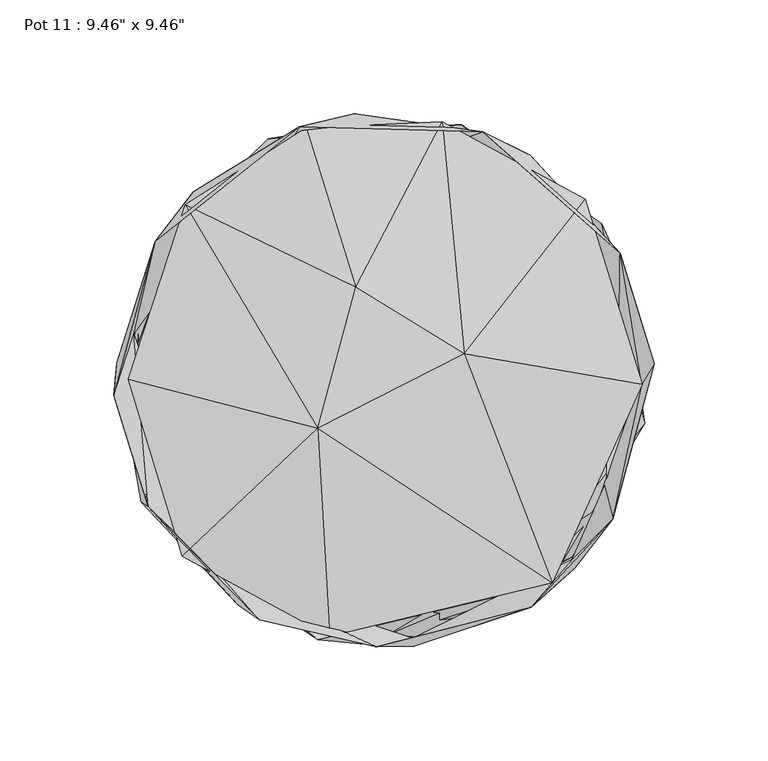
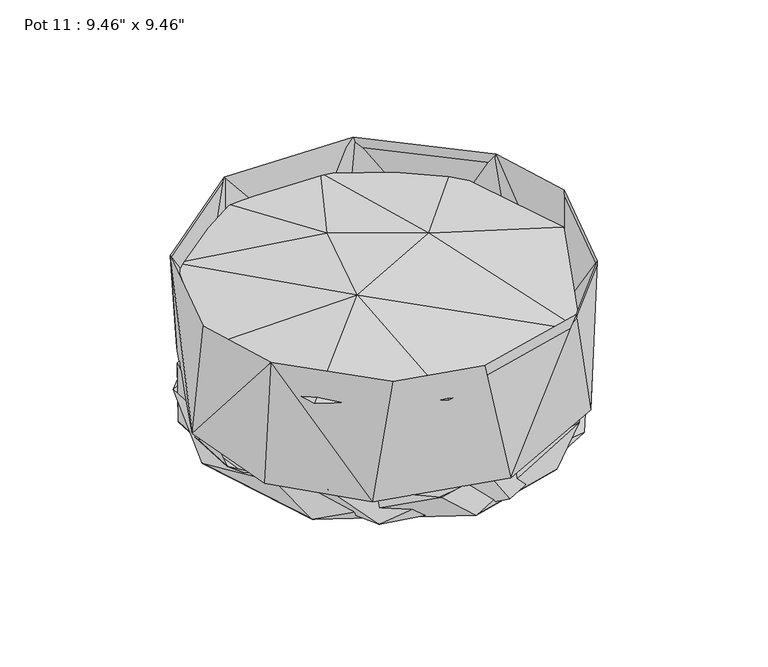
"""IFC4 building model written with IfcOpenShell, lengths in millimetres: furniture geometry."""

from ifc_helpers import new_model, si_unit, origin, place, context, project, spatial, triangles, source, transform, mapped, element, save


def furniture_94744fbc(model_context):
    return source(origin(), model_context, "Body", "Tessellation", [
        triangles([(73.9032606, -89.1236025, 81.5537611), (35.3487735, 11.6443633, 99.6734128), (-29.2760133, -21.253824, 100.5994645), (-112.4589423, 0.2855062, 81.9641921), (-87.5443203, 77.1791372, 82.7148912), (-12.3521689, 40.8452767, 98.5445754), (113.4762131, -1.7988682, 84.3893257), (88.4485256, 79.5826878, 81.1407686), (25.4979145, 113.6211715, 81.7323295), (-34.1663352, 110.8660708, 83.0436956), (-88.8480561, -77.5126197, 82.6187034), (-23.9071844, -112.7668632, 83.3351204)], [[1, 2, 3], [4, 3, 5], [3, 2, 6], [3, 6, 5], [7, 8, 2], [2, 9, 6], [2, 8, 9], [6, 10, 5], [6, 9, 10], [11, 12, 3], [11, 3, 4], [12, 1, 3], [1, 7, 2]], closed=False),
        triangles([(-59.6704494, -97.958919, 3.0986282), (1.93578, -112.0789056, 23.5408778), (14.6768692, -113.097548, 3.3756961), (-81.8519624, -79.8517484, 23.5408687), (114.534615, -3.1498671, 3.1497913), (22.6963754, 112.3967186, 3.1139919), (-106.080053, 42.7588226, 3.2345969), (-111.4680144, -20.5924522, 13.3791309), (-29.1845808, -114.16745, 20.6958502), (-8.3169342, -116.1804176, 2.3156548), (72.3873376, -89.9382784, 20.6958661), (-88.5669595, -74.5158186, 2.5861589), (-101.1418097, -55.6689494, 20.6958502), (-113.2138926, 4.1067601, 1.2082331), (53.0337678, -98.7274676, 1.1512602), (82.4068795, -78.2744918, 3.5544879), (98.0315799, -54.3636103, 23.5408959), (104.3005013, 49.6819012, 2.1015755), (114.6101373, -19.0798038, 14.6661799), (-16.1654945, 111.6204306, 1.0775673), (-101.1715499, 57.1290256, 14.666164), (97.7035203, 57.4761611, 13.3791661), (-92.8528898, 66.7423605, 23.5408869), (95.7425208, 68.6990044, 20.6958888), (-39.6356575, 106.1996223, 13.3790378), (-51.0279536, 106.2180442, 20.6958775), (49.6051299, 103.0322285, 23.5409096), (34.2044234, 112.2092028, 16.4620527)], [[1, 2, 3], [1, 4, 2], [1, 3, 5], [1, 5, 6], [1, 6, 7], [1, 7, 8], [1, 8, 4], [9, 10, 11], [9, 12, 10], [9, 13, 12], [10, 12, 14], [10, 14, 15], [10, 15, 11], [2, 16, 3], [2, 17, 16], [3, 16, 5], [15, 18, 19], [15, 14, 20], [15, 20, 18], [15, 19, 11], [12, 13, 14], [16, 17, 5], [13, 21, 14], [17, 22, 5], [8, 7, 23], [5, 22, 6], [19, 18, 24], [14, 21, 20], [7, 6, 25], [7, 25, 23], [21, 26, 20], [22, 27, 6], [18, 28, 24], [18, 20, 28], [26, 28, 20], [25, 6, 27]], closed=False),
        triangles([(-13.1191608, 117.1418414, 20.6978373), (43.4991708, 109.1601248, 102.2909674), (64.3176448, 98.8838716, 20.6978441), (26.9157876, 111.153962, 23.5565518), (-37.2405049, 111.3782488, 102.2804212), (103.797616, 55.7685482, 102.1797006), (-64.3150196, -98.8837444, 20.6978032), (13.1208902, -117.1408876, 20.6978123), (-3.5396813, -117.4538137, 102.2930385), (-54.9549441, -105.5460013, 102.2909311), (-103.7966622, -55.7681303, 102.179419), (-106.893003, -53.846954, 20.6978032), (12.7248762, -113.6553264, 23.5565223), (-72.6533551, -85.2983, 23.5565177), (64.7596736, -99.8862995, 102.2584112), (82.8045569, -78.8855556, 23.5565359), (83.8733325, -82.7971718, 20.6978237), (-110.197189, 20.2707058, 23.5565245), (100.4959371, -61.3530865, 102.165757), (114.1391995, -7.2032213, 23.5565495), (115.2773477, 6.7701337, 20.6978396), (-117.6397762, 7.4212551, 20.6978123), (118.8861754, 7.0394277, 102.20578), (92.0670638, 67.8479071, 23.5565563), (-118.9398785, -6.7874196, 102.1554379), (-100.6469725, 60.9889009, 102.1597799), (-83.8726149, 82.7978894, 20.6978237), (-50.8288742, 102.4500692, 23.5565427)], [[1, 2, 3], [4, 2, 5], [3, 2, 6], [7, 8, 9], [7, 9, 10], [7, 10, 11], [7, 11, 12], [13, 14, 9], [13, 9, 15], [13, 15, 16], [8, 17, 15], [8, 15, 9], [14, 10, 9], [14, 11, 10], [14, 18, 11], [16, 15, 19], [16, 19, 20], [17, 19, 15], [17, 21, 19], [12, 11, 22], [20, 19, 23], [20, 23, 6], [20, 6, 24], [22, 11, 25], [22, 25, 26], [22, 26, 27], [18, 26, 25], [18, 25, 11], [18, 28, 26], [21, 23, 19], [21, 6, 23], [21, 3, 6], [27, 5, 1], [27, 26, 5], [24, 2, 4], [24, 6, 2], [28, 5, 26], [28, 4, 5], [1, 5, 2]], closed=False),
    ])


if __name__ == "__main__":
    model = new_model("IFC4")
    model_context = context("Model", 3, world=origin())
    ifc_project = project(units=[si_unit("LENGTHUNIT", "METRE", prefix="MILLI")], contexts=[model_context])
    site = spatial("IfcSite", under=ifc_project)
    building = spatial("IfcBuilding", under=site)
    placement = place(None, origin())
    furniture_shape = furniture_94744fbc(model_context)
    element("IfcFurniture", 1, ObjectType="Pot 11 : 9.46\" x 9.46\"", at=placement, inside=building, context=model_context, shape_type="MappedRepresentation", body=[
        mapped(furniture_shape, transform((0.0, 0.0, 0.0), x_axis=(1.0, 0.0, 0.0), y_axis=(0.0, 1.0, 0.0), z_axis=(0.0, 0.0, 1.0))),
    ])
    save(model, "model.ifc")
